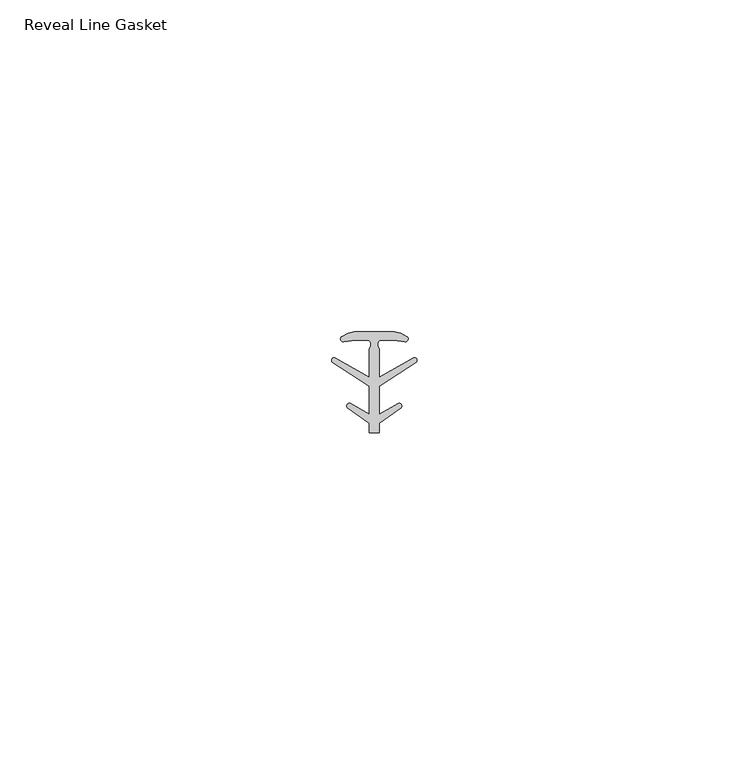
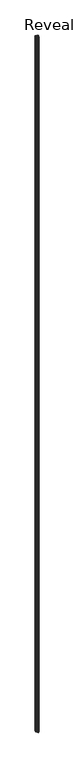
"""IFC4 building model written with IfcOpenShell, lengths in millimetres: proxy geometry, Reveal Line Gasket."""

from ifc_helpers import new_model, si_unit, point, frame, frame_2d, origin, place, context, project, spatial, polyline, circle_curve, trimmed, segment, composite_curve, outline, extrude, source, transform, mapped, element, save


def reveal_line_gasket_ca51b8d0(model_context):
    return source(origin(), model_context, "Body", "SweptSolid", [
        extrude(outline(composite_curve([segment(polyline([(2.999107, 7.6326998), (3.9545998, 7.4091917), (4.8875754, 6.8813059)]), True, "CONTINUOUS"), segment(trimmed(circle_curve(frame_2d((4.6855864, 6.5243141)), 0.4101739), [point((4.8875754, 6.8813059))], [point((4.5932418, 6.1246704))], False, "CARTESIAN"), True, "CONTINUOUS"), segment(polyline([(4.5932418, 6.1246704), (2.8970156, 6.3626997), (0.8645598, 6.3626997)]), True, "CONTINUOUS"), segment(trimmed(circle_curve(frame_2d((1.2810328, 5.6959605)), 0.786124), [point((0.8645598, 6.3626997))], [point((0.7769821, 5.0926996))], True, "CARTESIAN"), True, "CONTINUOUS"), segment(polyline([(0.7769821, 5.0926996), (0.7769821, 0.7492996), (5.9386365, 3.7293824)]), True, "CONTINUOUS"), segment(trimmed(circle_curve(frame_2d((6.0040832, 3.3132479)), 0.4212495), [point((5.9386365, 3.7293824))], [point((6.3317429, 3.0485022))], False, "CARTESIAN"), True, "CONTINUOUS"), segment(polyline([(6.3317429, 3.0485022), (0.7769821, -0.5742594), (0.7769821, -4.8262978), (3.6526367, -3.1660374)]), True, "CONTINUOUS"), segment(trimmed(circle_curve(frame_2d((3.7109925, -3.5978728)), 0.4357605), [point((3.6526367, -3.1660374))], [point((4.0557951, -3.864328))], False, "CARTESIAN"), True, "CONTINUOUS"), segment(polyline([(4.0557951, -3.864328), (0.7769821, -6.1944059), (0.7769821, -7.6326998), (-0.778768, -7.6326998), (-0.778768, -6.1944059), (-4.0575811, -3.864328)]), True, "CONTINUOUS"), segment(trimmed(circle_curve(frame_2d((-3.7127785, -3.5978728)), 0.4357605), [point((-4.0575811, -3.864328))], [point((-3.6544226, -3.1660374))], False, "CARTESIAN"), True, "CONTINUOUS"), segment(polyline([(-3.6544226, -3.1660374), (-0.778768, -4.8262978), (-0.778768, -0.5742594), (-6.3335288, 3.0485022)]), True, "CONTINUOUS"), segment(trimmed(circle_curve(frame_2d((-6.0058691, 3.3132479)), 0.4212495), [point((-6.3335288, 3.0485022))], [point((-5.9404224, 3.7293824))], False, "CARTESIAN"), True, "CONTINUOUS"), segment(polyline([(-5.9404224, 3.7293824), (-0.778768, 0.7492996), (-0.778768, 5.0926996)]), True, "CONTINUOUS"), segment(trimmed(circle_curve(frame_2d((-1.2828188, 5.6959605)), 0.786124), [point((-0.778768, 5.0926996))], [point((-0.8663457, 6.3626997))], True, "CARTESIAN"), True, "CONTINUOUS"), segment(polyline([(-0.8663457, 6.3626997), (-2.8988015, 6.3626997), (-4.5950277, 6.1246704)]), True, "CONTINUOUS"), segment(trimmed(circle_curve(frame_2d((-4.6873723, 6.5243141)), 0.4101739), [point((-4.5950277, 6.1246704))], [point((-4.8893614, 6.8813059))], False, "CARTESIAN"), True, "CONTINUOUS"), segment(polyline([(-4.8893614, 6.8813059), (-3.9563857, 7.4091917), (-3.000893, 7.6326998), (2.999107, 7.6326998)]), True, "CONTINUOUS")], self_intersect=False)), frame((0.0, 0.0, 84.836), z_axis=(0.0, 0.0, 1.0), x_axis=(1.0, 0.0, 0.0)), (0.0, 0.0, 1.0), 2952.5468001),
    ])


if __name__ == "__main__":
    model = new_model("IFC4")
    model_context = context("Model", 3, world=origin())
    ifc_project = project(units=[si_unit("LENGTHUNIT", "METRE", prefix="MILLI")], contexts=[model_context])
    site = spatial("IfcSite", under=ifc_project)
    building = spatial("IfcBuilding", under=site)
    placement = place(None, origin())
    reveal_line_gasket_shape = reveal_line_gasket_ca51b8d0(model_context)
    element("IfcBuildingElementProxy", 1, Name="Reveal Line Gasket", ObjectType="Reveal Line Gasket", at=placement, inside=building, context=model_context, shape_type="MappedRepresentation", body=[
        mapped(reveal_line_gasket_shape, transform((0.0, 0.0, 0.0), x_axis=(1.0, 0.0, 0.0), y_axis=(0.0, 1.0, 0.0), z_axis=(0.0, 0.0, 1.0))),
    ])
    save(model, "model.ifc")
